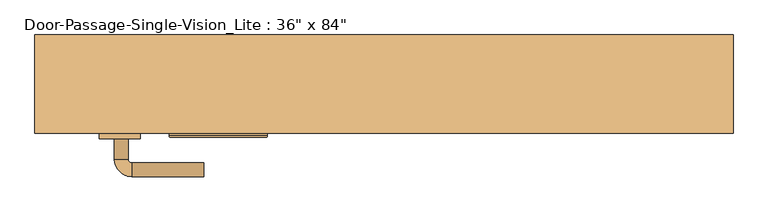
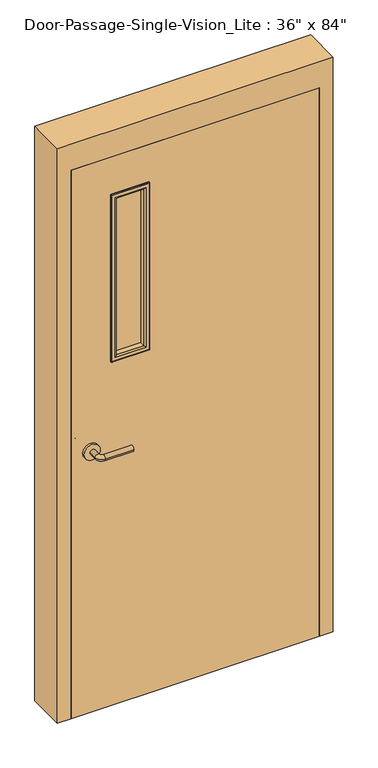
"""IFC4 building model written with IfcOpenShell, lengths in millimetres: door geometry."""

import ifcopenshell
import ifcopenshell.guid

model = None  # the IFC model being written
_history = None  # IfcOwnerHistory: only IFC2X3 demands one
_inside = {}  # id of a spatial element -> (the spatial element, [elements in it])
_under = {}  # id of a project, library or spatial element -> (it, [spatial elements below it])
_declared = {}  # id of a project -> (the project, [libraries it declares])
_typed = {}  # id of a type object -> (the type object, [elements of that type])
_made_of = {}  # id of a material, layer set ... -> (it, [elements and type objects made of it])


def new_model(schema):
    """Start an empty IFC model of exactly this schema.

    Asked for "IFC4X3", IfcOpenShell would pick the latest addendum, in which some entities
    have other attributes; the version numbers below select the first issue.
    IFC2X3 requires an IfcOwnerHistory on every rooted entity: one is made here for all.
    """
    global model, _history
    if schema == "IFC4X3":
        model = ifcopenshell.file(schema_version=(4, 3, 0, 0))
    else:
        model = ifcopenshell.file(schema=schema)
    _inside.clear()
    _under.clear()
    _declared.clear()
    _typed.clear()
    _made_of.clear()
    _history = None
    if model.schema == "IFC2X3":
        org = make("IfcOrganization", Name="unknown")
        user = make(
            "IfcPersonAndOrganization",
            ThePerson=make("IfcPerson", FamilyName="unknown"),
            TheOrganization=org,
        )
        app = make(
            "IfcApplication",
            ApplicationDeveloper=org,
            Version="unknown",
            ApplicationFullName="unknown",
            ApplicationIdentifier="unknown",
        )
        _history = make(
            "IfcOwnerHistory",
            OwningUser=user,
            OwningApplication=app,
            ChangeAction="ADDED",
            CreationDate=0,
        )
    return model


def make(cls, **values):
    """One entity of the class cls with the attributes given. An attribute that is None is left unset."""
    return model.create_entity(
        cls, **{name: value for name, value in values.items() if value is not None}
    )


def rooted(cls, **values):
    """An entity with a GlobalId (a new one), such as an element, a storey or a relation."""
    return make(cls, GlobalId=ifcopenshell.guid.new(), OwnerHistory=_history, **values)


def si_unit(unit_type, name, prefix=None):
    """IfcSIUnit, for example si_unit("LENGTHUNIT", "METRE", prefix="MILLI")."""
    return make("IfcSIUnit", UnitType=unit_type, Prefix=prefix, Name=name)


def assignment(units):
    """IfcUnitAssignment: the units of a project."""
    return None if units is None else make("IfcUnitAssignment", Units=units)


def point(xyz):
    """IfcCartesianPoint."""
    return None if xyz is None else make("IfcCartesianPoint", Coordinates=xyz)


def direction(xyz):
    """IfcDirection."""
    return None if xyz is None else make("IfcDirection", DirectionRatios=xyz)


def frame(location, z_axis=None, x_axis=None):
    """IfcAxis2Placement3D, a coordinate frame: its origin and axes. An axis left out is left unset."""
    return make(
        "IfcAxis2Placement3D",
        Location=point(location),
        Axis=direction(z_axis),
        RefDirection=direction(x_axis),
    )


def frame_2d(location, x_axis=None):
    """IfcAxis2Placement2D, a coordinate frame in the plane: its origin and x axis."""
    return make(
        "IfcAxis2Placement2D", Location=point(location), RefDirection=direction(x_axis)
    )


def origin():
    """The frame at (0, 0, 0) with its axes left unset."""
    return frame((0.0, 0.0, 0.0))


def place(relative_to, where):
    """IfcLocalPlacement: puts the frame where relative to a parent placement (None: the world)."""
    return make(
        "IfcLocalPlacement", PlacementRelTo=relative_to, RelativePlacement=where
    )


def context(
    kind, dimensions, precision=None, world=None, true_north=None, identifier=None
):
    """IfcGeometricRepresentationContext, for example the 3D "Model" context."""
    return make(
        "IfcGeometricRepresentationContext",
        ContextIdentifier=identifier,
        ContextType=kind,
        CoordinateSpaceDimension=dimensions,
        Precision=precision,
        WorldCoordinateSystem=world,
        TrueNorth=true_north,
    )


def project(units=None, contexts=None):
    """IfcProject with its units and contexts."""
    return rooted(
        "IfcProject",
        Name="project",
        RepresentationContexts=contexts,
        UnitsInContext=assignment(units),
    )


def spatial(cls, under=None, at=None, **own):
    """A site, building, storey or space (cls), placed at a placement, below another one or the project."""
    s = rooted(cls, ObjectPlacement=at, **own)
    if under is not None:
        _under.setdefault(under.id(), (under, []))[1].append(s)
    return s


def polyline(points):
    """IfcPolyline through the points."""
    return make("IfcPolyline", Points=[point(p) for p in points])


def circle_curve(where, radius):
    """IfcCircle in the frame where."""
    return make("IfcCircle", Position=where, Radius=radius)


def ellipse_curve(where, semi_axis1, semi_axis2):
    """IfcEllipse in the frame where."""
    return make(
        "IfcEllipse", Position=where, SemiAxis1=semi_axis1, SemiAxis2=semi_axis2
    )


def trimmed(basis, trim1, trim2, sense, master):
    """IfcTrimmedCurve: the piece of a basis curve between two trims."""
    return make(
        "IfcTrimmedCurve",
        BasisCurve=basis,
        Trim1=trim1,
        Trim2=trim2,
        SenseAgreement=sense,
        MasterRepresentation=master,
    )


def segment(curve, same_sense, transition):
    """IfcCompositeCurveSegment."""
    return make(
        "IfcCompositeCurveSegment",
        Transition=transition,
        SameSense=same_sense,
        ParentCurve=curve,
    )


def composite_curve(segments, self_intersect=None):
    """IfcCompositeCurve: segments joined end to end."""
    return make("IfcCompositeCurve", Segments=segments, SelfIntersect=self_intersect)


def outline(outer, holes=None, kind="AREA"):
    """IfcArbitraryClosedProfileDef: a profile drawn as a closed curve; with holes, ...WithVoids."""
    if holes is None:
        return make("IfcArbitraryClosedProfileDef", ProfileType=kind, OuterCurve=outer)
    return make(
        "IfcArbitraryProfileDefWithVoids",
        ProfileType=kind,
        OuterCurve=outer,
        InnerCurves=holes,
    )


def extrude(swept, where, along, depth):
    """IfcExtrudedAreaSolid: the profile swept, set in the frame where, extruded along a direction by depth."""
    return make(
        "IfcExtrudedAreaSolid",
        SweptArea=swept,
        Position=where,
        ExtrudedDirection=direction(along),
        Depth=depth,
    )


def faces_of(points, faces, orient=None, outer=None):
    """IfcFace entities. A face is a list of loops; a loop is a list of indices into points, from 0.

    orient and outer hold one flag for each loop. By default every Orientation is true, the
    first loop of a face is its IfcFaceOuterBound and the others are IfcFaceBound.
    """
    made = []
    for i, loops in enumerate(faces):
        bounds = []
        for j, loop in enumerate(loops):
            is_outer = j == 0 if outer is None else outer[i][j]
            bounds.append(
                make(
                    "IfcFaceOuterBound" if is_outer else "IfcFaceBound",
                    Bound=make("IfcPolyLoop", Polygon=[points[k] for k in loop]),
                    Orientation=True if orient is None else orient[i][j],
                )
            )
        made.append(make("IfcFace", Bounds=bounds))
    return made


def faceted_brep(points, faces, orient=None, outer=None, voids=None):
    """IfcFacetedBrep: a solid bounded by flat faces; with voids (closed shells), ...WithVoids."""
    shared = [point(p) for p in points]
    hull = make("IfcClosedShell", CfsFaces=faces_of(shared, faces, orient, outer))
    if voids is None:
        return make("IfcFacetedBrep", Outer=hull)
    return make(
        "IfcFacetedBrepWithVoids",
        Outer=hull,
        Voids=[
            make(cls, CfsFaces=faces_of(shared, fs, o, b)) for cls, fs, o, b in voids
        ],
    )


def shape(context_of_items, identifier, shape_type, items):
    """IfcShapeRepresentation: the items that make up one representation, for example the "Body"."""
    return make(
        "IfcShapeRepresentation",
        ContextOfItems=context_of_items,
        RepresentationIdentifier=identifier,
        RepresentationType=shape_type,
        Items=items,
    )


def source(mapping_origin, context_of_items, identifier, shape_type, items):
    """IfcRepresentationMap: a shape defined once, which mapped items show again and again."""
    return make(
        "IfcRepresentationMap",
        MappingOrigin=mapping_origin,
        MappedRepresentation=shape(context_of_items, identifier, shape_type, items),
    )


def transform(
    local_origin,
    x_axis=None,
    y_axis=None,
    z_axis=None,
    scale=None,
    scale2=None,
    scale3=None,
    uniform=True,
):
    """IfcCartesianTransformationOperator3D, or its non-uniform kind. x_axis, y_axis, z_axis: its Axis1, 2, 3."""
    if uniform:
        return make(
            "IfcCartesianTransformationOperator3D",
            Axis1=direction(x_axis),
            Axis2=direction(y_axis),
            LocalOrigin=point(local_origin),
            Scale=scale,
            Axis3=direction(z_axis),
        )
    return make(
        "IfcCartesianTransformationOperator3DnonUniform",
        Axis1=direction(x_axis),
        Axis2=direction(y_axis),
        LocalOrigin=point(local_origin),
        Scale=scale,
        Axis3=direction(z_axis),
        Scale2=scale2,
        Scale3=scale3,
    )


def mapped(mapping_source, mapping_target):
    """IfcMappedItem: shows the shape of a source again, moved by a transform."""
    return make(
        "IfcMappedItem", MappingSource=mapping_source, MappingTarget=mapping_target
    )


def made_of(thing, what):
    """Note that an element or type object is made of a material, layer set ...; save() writes the relation."""
    if what is not None:
        _made_of.setdefault(what.id(), (what, []))[1].append(thing)
    return thing


def element(
    cls,
    number,
    at=None,
    inside=None,
    cuts=None,
    type_object=None,
    material=None,
    context=None,
    identifier="Body",
    shape_type=None,
    held_by="IfcProductDefinitionShape",
    body=None,
    shapes=None,
    **own,
):
    """One element of the class cls, such as IfcWall. Its Tag is "e" and its number.

    at: its placement. inside: the storey or other place that contains it. cuts: it is an
    opening in that element (IfcRelVoidsElement). A single representation is given by context,
    identifier, shape_type and body (its items); several are given by shapes. held_by: the class
    of the entity that holds the representations. save() writes the other relations.
    """
    e = rooted(cls, Tag="e%d" % number, ObjectPlacement=at, **own)
    if body is not None:
        shapes = [shape(context, identifier, shape_type, body)]
    if shapes is not None:
        e.Representation = make(held_by, Representations=shapes)
    if inside is not None:
        _inside.setdefault(inside.id(), (inside, []))[1].append(e)
    if cuts is not None:
        rooted(
            "IfcRelVoidsElement", RelatingBuildingElement=cuts, RelatedOpeningElement=e
        )
    if type_object is not None:
        _typed.setdefault(type_object.id(), (type_object, []))[1].append(e)
    return made_of(e, material)


def aggregate(whole, parts):
    """IfcRelAggregates: a whole, such as a stair, and the parts it consists of."""
    return rooted("IfcRelAggregates", RelatingObject=whole, RelatedObjects=parts)


def save(model, path):
    """Write the relations noted so far, then the file.

    IfcRelAggregates (storeys below a building ...), IfcRelContainedInSpatialStructure (elements
    in a storey), IfcRelDefinesByType, IfcRelAssociatesMaterial and IfcRelDeclares: one each for
    every whole, place, type object, material and project.
    """
    for whole, parts in _under.values():
        aggregate(whole, parts)
    for where, things in _inside.values():
        rooted(
            "IfcRelContainedInSpatialStructure",
            RelatedElements=things,
            RelatingStructure=where,
        )
    for kind, things in _typed.values():
        rooted("IfcRelDefinesByType", RelatedObjects=things, RelatingType=kind)
    for what, things in _made_of.values():
        rooted("IfcRelAssociatesMaterial", RelatedObjects=things, RelatingMaterial=what)
    for by, libraries in _declared.values():
        rooted("IfcRelDeclares", RelatingContext=by, RelatedDefinitions=libraries)
    model.write(path)


def plane_surface(at):
    """IfcPlane: the flat surface through the origin of the frame at, square to its z axis."""
    return make("IfcPlane", Position=at)


def cylinder_surface(at, radius):
    """IfcCylindricalSurface: all points at the distance radius from the z axis of the frame at."""
    return make("IfcCylindricalSurface", Position=at, Radius=radius)


def revolved_surface(curve, axis_point, axis_direction):
    """IfcSurfaceOfRevolution: the curve turned about the line through axis_point along axis_direction."""
    return make(
        "IfcSurfaceOfRevolution",
        SweptCurve=make("IfcArbitraryOpenProfileDef", ProfileType="CURVE", Curve=curve),
        AxisPosition=make("IfcAxis1Placement", Location=point(axis_point), Axis=direction(axis_direction)),
    )


def advanced_brep(points, edges, surfaces, faces):
    """IfcAdvancedBrep: a solid bounded by faces that lie on surfaces and meet in shared edges.

    An edge is (start, end): straight between two places in points (the first is 0);
    or (start, end, curve); or (start, end, curve, False) where it runs against its curve.
    A face is (place in surfaces, loops), or (place, loops, False) where it looks against
    its surface's normal. A loop lists edges by number (the first is 1), with a minus sign
    where the edge is run from its end to its start. The first loop is the outer one.
    """
    corners = [point(p) for p in points]
    vertices = [make("IfcVertexPoint", VertexGeometry=c) for c in corners]
    made = []
    for start, end, *more in edges:
        made.append(
            make(
                "IfcEdgeCurve",
                EdgeStart=vertices[start],
                EdgeEnd=vertices[end],
                EdgeGeometry=more[0] if more else make("IfcPolyline", Points=[corners[start], corners[end]]),
                SameSense=more[1] if len(more) > 1 else True,
            )
        )
    hull = []
    for where, loops, *sense in faces:
        bounds = []
        for j, loop in enumerate(loops):
            ring = [make("IfcOrientedEdge", EdgeElement=made[abs(k) - 1], Orientation=k > 0) for k in loop]
            bounds.append(
                make(
                    "IfcFaceOuterBound" if j == 0 else "IfcFaceBound",
                    Bound=make("IfcEdgeLoop", EdgeList=ring),
                    Orientation=True,
                )
            )
        hull.append(make("IfcAdvancedFace", Bounds=bounds, FaceSurface=surfaces[where], SameSense=sense[0] if sense else True))
    return make("IfcAdvancedBrep", Outer=make("IfcClosedShell", CfsFaces=hull))


def door_2f86c9cb(model_context):
    return source(origin(), model_context, "Body", "SolidModel", [
        advanced_brep(
        [(-392.190625, -25.3375, 1016.0), (-372.190625, -25.3375, 1016.0), (-392.190625, 4.6625, 1016.0), (-372.190625, 4.6625, 1016.0), (-367.190625, 9.6625, 1016.0), (-367.190625, 29.6625, 1016.0), (-262.190625, 29.6625, 1016.0), (-262.190625, 9.6625, 1016.0)],
        [
            (0, 1, circle_curve(frame((-382.190625, -25.3375, 1016.0), z_axis=(0.0, -1.0, 0.0), x_axis=(1.0, 0.0, 0.0)), 10.0)),
            (1, 0, circle_curve(frame((-382.190625, -25.3375, 1016.0), z_axis=(0.0, -1.0, 0.0), x_axis=(1.0, 0.0, 0.0)), 10.0)),
            (0, 2),
            (2, 3, circle_curve(frame((-382.190625, 4.6625, 1016.0), z_axis=(0.0, -1.0, 0.0), x_axis=(1.0, 0.0, 0.0)), 10.0)),
            (3, 1),
            (3, 2, circle_curve(frame((-382.190625, 4.6625, 1016.0), z_axis=(0.0, -1.0, 0.0), x_axis=(1.0, 0.0, 0.0)), 10.0)),
            (4, 3, circle_curve(frame((-367.190625, 4.6625, 1016.0), z_axis=(0.0, 0.0, 1.0), x_axis=(-1.0, 0.0, 0.0)), 5.0)),
            (2, 5, circle_curve(frame((-367.190625, 4.6625, 1016.0), z_axis=(0.0, 0.0, -1.0), x_axis=(-1.0, 0.0, 0.0)), 25.0)),
            (5, 4, circle_curve(frame((-367.190625, 19.6625, 1016.0), z_axis=(-1.0, 0.0, 0.0), x_axis=(0.0, -1.0, 0.0)), 10.0)),
            (4, 5, circle_curve(frame((-367.190625, 19.6625, 1016.0), z_axis=(-1.0, 0.0, 0.0), x_axis=(0.0, -1.0, 0.0)), 10.0)),
            (6, 7, circle_curve(frame((-262.190625, 19.6625, 1016.0), z_axis=(1.0, 0.0, 0.0), x_axis=(0.0, -1.0, 0.0)), 10.0)),
            (7, 6, circle_curve(frame((-262.190625, 19.6625, 1016.0), z_axis=(1.0, 0.0, 0.0), x_axis=(0.0, -1.0, 0.0)), 10.0)),
            (5, 6),
            (7, 4),
        ],
        [
            plane_surface(frame((-382.190625, -25.3375, 1016.0), z_axis=(0.0, -1.0, 0.0), x_axis=(0.0, 0.0, 1.0))),
            cylinder_surface(frame((-382.190625, -25.3375, 1016.0), z_axis=(0.0, -1.0, 0.0), x_axis=(1.0, 0.0, 0.0)), 10.0),
            revolved_surface(trimmed(ellipse_curve(frame((-382.190625, 4.6625, 1016.0), z_axis=(0.0, -1.0, 0.0), x_axis=(1.0, 0.0, 0.0)), 10.0, 10.0), [point((-392.190625, 4.6625, 1016.0))], [point((-372.190625, 4.6625, 1016.0))], True, "CARTESIAN"), (-367.190625, 4.6625, 1016.0), (0.0, 0.0, -1.0)),
            revolved_surface(trimmed(ellipse_curve(frame((-382.190625, 4.6625, 1016.0), z_axis=(0.0, -1.0, 0.0), x_axis=(1.0, 0.0, 0.0)), 10.0, 10.0), [point((-372.190625, 4.6625, 1016.0))], [point((-392.190625, 4.6625, 1016.0))], True, "CARTESIAN"), (-367.190625, 4.6625, 1016.0), (0.0, 0.0, -1.0)),
            plane_surface(frame((-262.190625, 19.6625, 1016.0), z_axis=(1.0, 0.0, 0.0), x_axis=(0.0, 0.0, 1.0))),
            cylinder_surface(frame((-367.190625, 19.6625, 1016.0), z_axis=(-1.0, 0.0, 0.0), x_axis=(0.0, -1.0, 0.0)), 10.0),
        ],
        [
            (0, [[1, 2]]),
            (1, [[-1, 3, 4, 5]]),
            (1, [[-2, -5, 6, -3]]),
            (2, [[7, -4, 8, 9]]),
            (3, [[-8, -6, -7, 10]]),
            (4, [[11, 12]]),
            (5, [[-9, 13, -12, 14]]),
            (5, [[-10, -14, -11, -13]]),
        ],
    ),
        extrude(outline(composite_curve([segment(trimmed(circle_curve(frame_2d((1016.0, -384.690625)), 30.0), [point((1016.0, -414.690625))], [point((1016.0, -354.690625))], False, "CARTESIAN"), True, "CONTINUOUS"), segment(trimmed(circle_curve(frame_2d((1016.0, -384.690625)), 30.0), [point((1016.0, -354.690625))], [point((1016.0, -414.690625))], False, "CARTESIAN"), True, "CONTINUOUS")], self_intersect=False)), frame((0.0, -33.3375, 0.0), z_axis=(0.0, 1.0, 0.0), x_axis=(0.0, 0.0, 1.0)), (0.0, 0.0, 1.0), 8.0),
        advanced_brep(
        [(-392.190625, -85.7875, 1016.0), (-372.190625, -85.7875, 1016.0), (-372.190625, -115.7875, 1016.0), (-392.190625, -115.7875, 1016.0), (-367.190625, -120.7875, 1016.0), (-367.190625, -140.7875, 1016.0), (-262.190625, -140.7875, 1016.0), (-262.190625, -120.7875, 1016.0)],
        [
            (0, 1, circle_curve(frame((-382.190625, -85.7875, 1016.0), z_axis=(0.0, 1.0, 0.0), x_axis=(1.0, 0.0, 0.0)), 10.0)),
            (1, 0, circle_curve(frame((-382.190625, -85.7875, 1016.0), z_axis=(0.0, 1.0, 0.0), x_axis=(1.0, 0.0, 0.0)), 10.0)),
            (1, 2),
            (2, 3, circle_curve(frame((-382.190625, -115.7875, 1016.0), z_axis=(0.0, 1.0, 0.0), x_axis=(1.0, 0.0, 0.0)), 10.0)),
            (3, 0),
            (3, 2, circle_curve(frame((-382.190625, -115.7875, 1016.0), z_axis=(0.0, 1.0, 0.0), x_axis=(1.0, 0.0, 0.0)), 10.0)),
            (4, 5, circle_curve(frame((-367.190625, -130.7875, 1016.0), z_axis=(-1.0, 0.0, 0.0), x_axis=(0.0, 1.0, 0.0)), 10.0)),
            (5, 3, circle_curve(frame((-367.190625, -115.7875, 1016.0), z_axis=(0.0, 0.0, -1.0), x_axis=(-1.0, 0.0, 0.0)), 25.0)),
            (2, 4, circle_curve(frame((-367.190625, -115.7875, 1016.0), z_axis=(0.0, 0.0, 1.0), x_axis=(-1.0, 0.0, 0.0)), 5.0)),
            (5, 4, circle_curve(frame((-367.190625, -130.7875, 1016.0), z_axis=(-1.0, 0.0, 0.0), x_axis=(0.0, 1.0, 0.0)), 10.0)),
            (6, 7, circle_curve(frame((-262.190625, -130.7875, 1016.0), z_axis=(1.0, 0.0, 0.0), x_axis=(0.0, 1.0, 0.0)), 10.0)),
            (7, 6, circle_curve(frame((-262.190625, -130.7875, 1016.0), z_axis=(1.0, 0.0, 0.0), x_axis=(0.0, 1.0, 0.0)), 10.0)),
            (4, 7),
            (6, 5),
        ],
        [
            plane_surface(frame((-382.190625, -85.7875, 1016.0), z_axis=(0.0, 1.0, 0.0), x_axis=(0.0, 0.0, 1.0))),
            cylinder_surface(frame((-382.190625, -85.7875, 1016.0), z_axis=(0.0, 1.0, 0.0), x_axis=(1.0, 0.0, 0.0)), 10.0),
            revolved_surface(trimmed(ellipse_curve(frame((-382.190625, -115.7875, 1016.0), z_axis=(0.0, -1.0, 0.0), x_axis=(1.0, 0.0, 0.0)), 10.0, 10.0), [point((-392.190625, -115.7875, 1016.0))], [point((-372.190625, -115.7875, 1016.0))], True, "CARTESIAN"), (-367.190625, -115.7875, 1016.0), (0.0, 0.0, -1.0)),
            revolved_surface(trimmed(ellipse_curve(frame((-382.190625, -115.7875, 1016.0), z_axis=(0.0, -1.0, 0.0), x_axis=(1.0, 0.0, 0.0)), 10.0, 10.0), [point((-372.190625, -115.7875, 1016.0))], [point((-392.190625, -115.7875, 1016.0))], True, "CARTESIAN"), (-367.190625, -115.7875, 1016.0), (0.0, 0.0, -1.0)),
            plane_surface(frame((-262.190625, -130.7875, 1016.0), z_axis=(1.0, 0.0, 0.0), x_axis=(0.0, 0.0, 1.0))),
            cylinder_surface(frame((-367.190625, -130.7875, 1016.0), z_axis=(-1.0, 0.0, 0.0), x_axis=(0.0, 1.0, 0.0)), 10.0),
        ],
        [
            (0, [[1, 2]]),
            (1, [[3, 4, 5, -2]]),
            (1, [[-5, 6, -3, -1]]),
            (2, [[7, 8, -4, 9]]),
            (3, [[10, -9, -6, -8]]),
            (4, [[11, 12]]),
            (5, [[13, -11, 14, -7]]),
            (5, [[-14, -12, -13, -10]]),
        ],
    ),
        extrude(outline(composite_curve([segment(trimmed(circle_curve(frame_2d((1016.0, -384.690625)), 30.0), [point((1016.0, -414.690625))], [point((1016.0, -354.690625))], False, "CARTESIAN"), True, "CONTINUOUS"), segment(trimmed(circle_curve(frame_2d((1016.0, -384.690625)), 30.0), [point((1016.0, -354.690625))], [point((1016.0, -414.690625))], False, "CARTESIAN"), True, "CONTINUOUS")], self_intersect=False)), frame((0.0, -85.7875, 0.0), z_axis=(0.0, 1.0, 0.0), x_axis=(0.0, 0.0, 1.0)), (0.0, 0.0, 1.0), 8.0),
        faceted_brep([(457.2, -28.575, 0.0), (441.325, -28.575, 0.0), (441.325, 15.875, 0.0), (457.2, 15.875, 0.0), (457.2, 65.0875, 0.0), (508.0, 65.0875, 0.0), (508.0, -77.7875, 0.0), (457.2, -77.7875, 0.0), (457.2, -77.7875, 2133.6), (457.2, -28.575, 2133.6), (508.0, -77.7875, 2235.2), (-508.0, -77.7875, 2235.2), (-508.0, -77.7875, 0.0), (-457.2, -77.7875, 0.0), (-457.2, -77.7875, 2133.6), (508.0, 65.0875, 2235.2), (457.2, 65.0875, 2133.6), (-457.2, 65.0875, 2133.6), (-457.2, 65.0875, 0.0), (-508.0, 65.0875, 0.0), (-508.0, 65.0875, 2235.2), (457.2, 15.875, 2133.6), (441.325, 15.875, 2117.725), (-441.325, 15.875, 2117.725), (-441.325, 15.875, 0.0), (-457.2, 15.875, 0.0), (-457.2, 15.875, 2133.6), (441.325, -28.575, 2117.725), (-457.2, -28.575, 2133.6), (-457.2, -28.575, 0.0), (-441.325, -28.575, 0.0), (-441.325, -28.575, 2117.725)], [[[0, 1, 2, 3, 4, 5, 6, 7]], [[7, 8, 9, 0]], [[6, 10, 11, 12, 13, 14, 8, 7]], [[5, 15, 10, 6]], [[4, 16, 17, 18, 19, 20, 15, 5]], [[3, 21, 16, 4]], [[2, 22, 23, 24, 25, 26, 21, 3]], [[1, 27, 22, 2]], [[0, 9, 28, 29, 30, 31, 27, 1]], [[8, 14, 28, 9]], [[16, 21, 26, 17]], [[22, 27, 31, 23]], [[12, 19, 18, 25, 24, 30, 29, 13]], [[13, 29, 28, 14]], [[11, 20, 19, 12]], [[17, 26, 25, 18]], [[23, 31, 30, 24]], [[15, 20, 11, 10]]]),
        extrude(outline(polyline([(2133.6, -457.2), (0.0, -457.2), (0.0, 457.2), (2133.6, 457.2), (2133.6, -457.2)]), holes=[polyline([(1981.2, -304.8), (1981.2, -177.8), (1346.2, -177.8), (1346.2, -304.8), (1981.2, -304.8)])]), frame((0.0, -77.7875, 0.0), z_axis=(0.0, 1.0, 0.0), x_axis=(0.0, 0.0, 1.0)), (0.0, 0.0, 1.0), 44.45),
        extrude(outline(polyline([(-177.8, -52.3875), (-177.8, -58.7375), (-304.8, -58.7375), (-304.8, -52.3875), (-177.8, -52.3875)])), frame((0.0, 0.0, 1346.2), z_axis=(0.0, 0.0, 1.0), x_axis=(1.0, 0.0, 0.0)), (0.0, 0.0, 1.0), 635.0),
        advanced_brep(
        [(-304.8, -52.3875, 1346.2), (-304.8, -52.3875, 1981.2), (-304.8, -33.3375, 1981.2), (-304.8, -33.3375, 1346.2), (-292.8, -32.3375, 1358.2), (-292.8, -32.3375, 1969.2), (-292.8, -52.3875, 1969.2), (-292.8, -52.3875, 1358.2), (-297.8, -27.3375, 1353.2), (-297.8, -27.3375, 1974.2), (-312.8, -29.3375, 1338.2), (-312.8, -29.3375, 1989.2), (-310.8, -27.3375, 1987.2), (-310.8, -27.3375, 1340.2), (-312.8, -33.3375, 1338.2), (-312.8, -33.3375, 1989.2), (-177.8, -52.3875, 1981.2), (-177.8, -33.3375, 1981.2), (-189.8, -32.3375, 1969.2), (-189.8, -52.3875, 1969.2), (-184.8, -27.3375, 1974.2), (-169.8, -29.3375, 1989.2), (-171.8, -27.3375, 1987.2), (-169.8, -33.3375, 1989.2), (-177.8, -52.3875, 1346.2), (-177.8, -33.3375, 1346.2), (-189.8, -32.3375, 1358.2), (-189.8, -52.3875, 1358.2), (-184.8, -27.3375, 1353.2), (-169.8, -29.3375, 1338.2), (-171.8, -27.3375, 1340.2), (-169.8, -33.3375, 1338.2)],
        [
            (0, 1),
            (1, 2),
            (2, 3),
            (3, 0),
            (4, 5),
            (5, 6),
            (6, 7),
            (7, 4),
            (8, 9),
            (9, 5, ellipse_curve(frame((-297.8, -32.3375, 1974.2), z_axis=(-0.7071067811865475, 0.0, -0.7071067811865475), x_axis=(0.7071067811865474, 0.0, -0.7071067811865476)), 7.0710678, 5.0)),
            (4, 8, ellipse_curve(frame((-297.8, -32.3375, 1353.2), z_axis=(-0.7071067811865475, 0.0, 0.7071067811865475), x_axis=(-0.7071067811865474, 0.0, -0.7071067811865476)), 7.0710678, 5.0)),
            (10, 11),
            (11, 12, ellipse_curve(frame((-310.8, -29.3375, 1987.2), z_axis=(-0.7071067811865475, 0.0, -0.7071067811865475), x_axis=(0.7071067811865474, 0.0, -0.7071067811865476)), 2.8284271, 2.0)),
            (12, 13),
            (13, 10, ellipse_curve(frame((-310.8, -29.3375, 1340.2), z_axis=(-0.7071067811865475, 0.0, 0.7071067811865475), x_axis=(-0.7071067811865474, 0.0, -0.7071067811865476)), 2.8284271, 2.0)),
            (14, 15),
            (15, 11),
            (10, 14),
            (1, 16),
            (16, 17),
            (17, 2),
            (5, 18),
            (18, 19),
            (19, 6),
            (9, 20),
            (20, 18, ellipse_curve(frame((-184.8, -32.3375, 1974.2), z_axis=(-0.7071067811865475, 0.0, 0.7071067811865475), x_axis=(-0.7071067811865476, 0.0, -0.7071067811865474)), 7.0710678, 5.0)),
            (11, 21),
            (21, 22, ellipse_curve(frame((-171.8, -29.3375, 1987.2), z_axis=(-0.7071067811865475, 0.0, 0.7071067811865475), x_axis=(-0.7071067811865476, 0.0, -0.7071067811865474)), 2.8284271, 2.0)),
            (22, 12),
            (15, 23),
            (23, 21),
            (16, 24),
            (24, 25),
            (25, 17),
            (18, 26),
            (26, 27),
            (27, 19),
            (20, 28),
            (28, 26, ellipse_curve(frame((-184.8, -32.3375, 1353.2), z_axis=(0.7071067811865475, 0.0, 0.7071067811865475), x_axis=(-0.7071067811865474, 0.0, 0.7071067811865476)), 7.0710678, 5.0)),
            (21, 29),
            (29, 30, ellipse_curve(frame((-171.8, -29.3375, 1340.2), z_axis=(0.7071067811865475, 0.0, 0.7071067811865475), x_axis=(-0.7071067811865474, 0.0, 0.7071067811865476)), 2.8284271, 2.0)),
            (30, 22),
            (23, 31),
            (31, 29),
            (14, 31),
            (25, 3),
            (24, 0),
            (27, 7),
            (26, 4),
            (28, 8),
            (30, 13),
            (29, 10),
        ],
        [
            plane_surface(frame((-304.8, -33.3375, 1346.2), z_axis=(-1.0, 0.0, 0.0), x_axis=(0.0, 0.0, 1.0))),
            plane_surface(frame((-292.8, -52.3875, 1358.2), z_axis=(1.0, 0.0, 0.0), x_axis=(0.0, 0.0, 1.0))),
            cylinder_surface(frame((-297.8, -32.3375, 1346.2), z_axis=(0.0, 0.0, -1.0), x_axis=(-1.0, 0.0, 0.0)), 5.0),
            cylinder_surface(frame((-310.8, -29.3375, 1346.2), z_axis=(0.0, 0.0, -1.0), x_axis=(-1.0, 0.0, 0.0)), 2.0),
            plane_surface(frame((-312.8, -29.3375, 1338.2), z_axis=(-1.0, 0.0, 0.0), x_axis=(0.0, 0.0, 1.0))),
            plane_surface(frame((-304.8, -33.3375, 1981.2), z_axis=(0.0, 0.0, 1.0), x_axis=(1.0, 0.0, 0.0))),
            plane_surface(frame((-292.8, -52.3875, 1969.2), z_axis=(0.0, 0.0, -1.0), x_axis=(1.0, 0.0, 0.0))),
            cylinder_surface(frame((-304.8, -32.3375, 1974.2), z_axis=(-1.0, 0.0, 0.0), x_axis=(0.0, 0.0, 1.0)), 5.0),
            cylinder_surface(frame((-304.8, -29.3375, 1987.2), z_axis=(-1.0, 0.0, 0.0), x_axis=(0.0, 0.0, 1.0)), 2.0),
            plane_surface(frame((-312.8, -29.3375, 1989.2), z_axis=(0.0, 0.0, 1.0), x_axis=(1.0, 0.0, 0.0))),
            plane_surface(frame((-177.8, -33.3375, 1981.2), z_axis=(1.0, 0.0, 0.0), x_axis=(0.0, 0.0, -1.0))),
            plane_surface(frame((-189.8, -52.3875, 1969.2), z_axis=(-1.0, 0.0, 0.0), x_axis=(0.0, 0.0, -1.0))),
            cylinder_surface(frame((-184.8, -32.3375, 1981.2), z_axis=(0.0, 0.0, 1.0), x_axis=(1.0, 0.0, 0.0)), 5.0),
            cylinder_surface(frame((-171.8, -29.3375, 1981.2), z_axis=(0.0, 0.0, 1.0), x_axis=(1.0, 0.0, 0.0)), 2.0),
            plane_surface(frame((-169.8, -29.3375, 1989.2), z_axis=(1.0, 0.0, 0.0), x_axis=(0.0, 0.0, -1.0))),
            plane_surface(frame((-169.8, -33.3375, 1338.2), z_axis=(0.0, -1.0, 0.0), x_axis=(-1.0, 0.0, 0.0))),
            plane_surface(frame((-177.8, -33.3375, 1346.2), z_axis=(0.0, 0.0, -1.0), x_axis=(-1.0, 0.0, 0.0))),
            plane_surface(frame((-177.8, -52.3875, 1346.2), z_axis=(0.0, -1.0, 0.0), x_axis=(-1.0, 0.0, 0.0))),
            plane_surface(frame((-189.8, -52.3875, 1358.2), z_axis=(0.0, 0.0, 1.0), x_axis=(-1.0, 0.0, 0.0))),
            cylinder_surface(frame((-177.8, -32.3375, 1353.2), z_axis=(1.0, 0.0, 0.0), x_axis=(0.0, 0.0, -1.0)), 5.0),
            plane_surface(frame((-184.8, -27.3375, 1353.2), z_axis=(0.0, 1.0, 0.0), x_axis=(-1.0, 0.0, 0.0))),
            cylinder_surface(frame((-177.8, -29.3375, 1340.2), z_axis=(1.0, 0.0, 0.0), x_axis=(0.0, 0.0, -1.0)), 2.0),
            plane_surface(frame((-169.8, -29.3375, 1338.2), z_axis=(0.0, 0.0, -1.0), x_axis=(-1.0, 0.0, 0.0))),
        ],
        [
            (0, [[1, 2, 3, 4]]),
            (1, [[5, 6, 7, 8]]),
            (2, [[9, 10, -5, 11]]),
            (3, [[12, 13, 14, 15]]),
            (4, [[16, 17, -12, 18]]),
            (5, [[19, 20, 21, -2]]),
            (6, [[22, 23, 24, -6]]),
            (7, [[25, 26, -22, -10]]),
            (8, [[27, 28, 29, -13]]),
            (9, [[30, 31, -27, -17]]),
            (10, [[32, 33, 34, -20]]),
            (11, [[35, 36, 37, -23]]),
            (12, [[38, 39, -35, -26]]),
            (13, [[40, 41, 42, -28]]),
            (14, [[43, 44, -40, -31]]),
            (15, [[-16, 45, -43, -30], [-3, -21, -34, 46]]),
            (16, [[47, -4, -46, -33]]),
            (17, [[-1, -47, -32, -19], [-7, -24, -37, 48]]),
            (18, [[49, -8, -48, -36]]),
            (19, [[50, -11, -49, -39]]),
            (20, [[-14, -29, -42, 51], [-9, -50, -38, -25]]),
            (21, [[52, -15, -51, -41]]),
            (22, [[-45, -18, -52, -44]]),
        ],
    ),
        advanced_brep(
        [(-304.8, -58.7375, 1981.2), (-304.8, -58.7375, 1346.2), (-304.8, -77.7875, 1346.2), (-304.8, -77.7875, 1981.2), (-292.8, -78.7875, 1969.2), (-292.8, -78.7875, 1358.2), (-292.8, -58.7375, 1358.2), (-292.8, -58.7375, 1969.2), (-297.8, -83.7875, 1974.2), (-297.8, -83.7875, 1353.2), (-312.8, -81.7875, 1989.2), (-312.8, -81.7875, 1338.2), (-310.8, -83.7875, 1340.2), (-310.8, -83.7875, 1987.2), (-312.8, -77.7875, 1989.2), (-312.8, -77.7875, 1338.2), (-177.8, -58.7375, 1346.2), (-177.8, -77.7875, 1346.2), (-189.8, -78.7875, 1358.2), (-189.8, -58.7375, 1358.2), (-184.8, -83.7875, 1353.2), (-169.8, -81.7875, 1338.2), (-171.8, -83.7875, 1340.2), (-169.8, -77.7875, 1338.2), (-177.8, -58.7375, 1981.2), (-177.8, -77.7875, 1981.2), (-189.8, -78.7875, 1969.2), (-189.8, -58.7375, 1969.2), (-184.8, -83.7875, 1974.2), (-169.8, -81.7875, 1989.2), (-171.8, -83.7875, 1987.2), (-169.8, -77.7875, 1989.2)],
        [
            (0, 1),
            (1, 2),
            (2, 3),
            (3, 0),
            (4, 5),
            (5, 6),
            (6, 7),
            (7, 4),
            (8, 9),
            (9, 5, ellipse_curve(frame((-297.8, -78.7875, 1353.2), z_axis=(-0.7071067811865475, 0.0, 0.7071067811865475), x_axis=(0.7071067811865474, 0.0, 0.7071067811865476)), 7.0710678, 5.0)),
            (4, 8, ellipse_curve(frame((-297.8, -78.7875, 1974.2), z_axis=(-0.7071067811865475, 0.0, -0.7071067811865475), x_axis=(-0.7071067811865474, 0.0, 0.7071067811865476)), 7.0710678, 5.0)),
            (10, 11),
            (11, 12, ellipse_curve(frame((-310.8, -81.7875, 1340.2), z_axis=(-0.7071067811865475, 0.0, 0.7071067811865475), x_axis=(0.7071067811865474, 0.0, 0.7071067811865476)), 2.8284271, 2.0)),
            (12, 13),
            (13, 10, ellipse_curve(frame((-310.8, -81.7875, 1987.2), z_axis=(-0.7071067811865475, 0.0, -0.7071067811865475), x_axis=(-0.7071067811865474, 0.0, 0.7071067811865476)), 2.8284271, 2.0)),
            (14, 15),
            (15, 11),
            (10, 14),
            (1, 16),
            (16, 17),
            (17, 2),
            (5, 18),
            (18, 19),
            (19, 6),
            (9, 20),
            (20, 18, ellipse_curve(frame((-184.8, -78.7875, 1353.2), z_axis=(-0.7071067811865475, 0.0, -0.7071067811865475), x_axis=(-0.7071067811865476, 0.0, 0.7071067811865474)), 7.0710678, 5.0)),
            (11, 21),
            (21, 22, ellipse_curve(frame((-171.8, -81.7875, 1340.2), z_axis=(-0.7071067811865475, 0.0, -0.7071067811865475), x_axis=(-0.7071067811865476, 0.0, 0.7071067811865474)), 2.8284271, 2.0)),
            (22, 12),
            (15, 23),
            (23, 21),
            (16, 24),
            (24, 25),
            (25, 17),
            (18, 26),
            (26, 27),
            (27, 19),
            (20, 28),
            (28, 26, ellipse_curve(frame((-184.8, -78.7875, 1974.2), z_axis=(0.7071067811865475, 0.0, -0.7071067811865475), x_axis=(-0.7071067811865474, 0.0, -0.7071067811865476)), 7.0710678, 5.0)),
            (21, 29),
            (29, 30, ellipse_curve(frame((-171.8, -81.7875, 1987.2), z_axis=(0.7071067811865475, 0.0, -0.7071067811865475), x_axis=(-0.7071067811865474, 0.0, -0.7071067811865476)), 2.8284271, 2.0)),
            (30, 22),
            (23, 31),
            (31, 29),
            (14, 31),
            (25, 3),
            (24, 0),
            (27, 7),
            (26, 4),
            (28, 8),
            (30, 13),
            (29, 10),
        ],
        [
            plane_surface(frame((-304.8, -77.7875, 1981.2), z_axis=(-1.0, 0.0, 0.0), x_axis=(0.0, 0.0, -1.0))),
            plane_surface(frame((-292.8, -58.7375, 1969.2), z_axis=(1.0, 0.0, 0.0), x_axis=(0.0, 0.0, -1.0))),
            cylinder_surface(frame((-297.8, -78.7875, 1981.2), z_axis=(0.0, 0.0, 1.0), x_axis=(-1.0, 0.0, 0.0)), 5.0),
            cylinder_surface(frame((-310.8, -81.7875, 1981.2), z_axis=(0.0, 0.0, 1.0), x_axis=(-1.0, 0.0, 0.0)), 2.0),
            plane_surface(frame((-312.8, -81.7875, 1989.2), z_axis=(-1.0, 0.0, 0.0), x_axis=(0.0, 0.0, -1.0))),
            plane_surface(frame((-304.8, -77.7875, 1346.2), z_axis=(0.0, 0.0, -1.0), x_axis=(1.0, 0.0, 0.0))),
            plane_surface(frame((-292.8, -58.7375, 1358.2), z_axis=(0.0, 0.0, 1.0), x_axis=(1.0, 0.0, 0.0))),
            cylinder_surface(frame((-304.8, -78.7875, 1353.2), z_axis=(-1.0, 0.0, 0.0), x_axis=(0.0, 0.0, -1.0)), 5.0),
            cylinder_surface(frame((-304.8, -81.7875, 1340.2), z_axis=(-1.0, 0.0, 0.0), x_axis=(0.0, 0.0, -1.0)), 2.0),
            plane_surface(frame((-312.8, -81.7875, 1338.2), z_axis=(0.0, 0.0, -1.0), x_axis=(1.0, 0.0, 0.0))),
            plane_surface(frame((-177.8, -77.7875, 1346.2), z_axis=(1.0, 0.0, 0.0), x_axis=(0.0, 0.0, 1.0))),
            plane_surface(frame((-189.8, -58.7375, 1358.2), z_axis=(-1.0, 0.0, 0.0), x_axis=(0.0, 0.0, 1.0))),
            cylinder_surface(frame((-184.8, -78.7875, 1346.2), z_axis=(0.0, 0.0, -1.0), x_axis=(1.0, 0.0, 0.0)), 5.0),
            cylinder_surface(frame((-171.8, -81.7875, 1346.2), z_axis=(0.0, 0.0, -1.0), x_axis=(1.0, 0.0, 0.0)), 2.0),
            plane_surface(frame((-169.8, -81.7875, 1338.2), z_axis=(1.0, 0.0, 0.0), x_axis=(0.0, 0.0, 1.0))),
            plane_surface(frame((-169.8, -77.7875, 1989.2), z_axis=(0.0, 1.0, 0.0), x_axis=(-1.0, 0.0, 0.0))),
            plane_surface(frame((-177.8, -77.7875, 1981.2), z_axis=(0.0, 0.0, 1.0), x_axis=(-1.0, 0.0, 0.0))),
            plane_surface(frame((-177.8, -58.7375, 1981.2), z_axis=(0.0, 1.0, 0.0), x_axis=(-1.0, 0.0, 0.0))),
            plane_surface(frame((-189.8, -58.7375, 1969.2), z_axis=(0.0, 0.0, -1.0), x_axis=(-1.0, 0.0, 0.0))),
            cylinder_surface(frame((-177.8, -78.7875, 1974.2), z_axis=(1.0, 0.0, 0.0), x_axis=(0.0, 0.0, 1.0)), 5.0),
            plane_surface(frame((-184.8, -83.7875, 1974.2), z_axis=(0.0, -1.0, 0.0), x_axis=(-1.0, 0.0, 0.0))),
            cylinder_surface(frame((-177.8, -81.7875, 1987.2), z_axis=(1.0, 0.0, 0.0), x_axis=(0.0, 0.0, 1.0)), 2.0),
            plane_surface(frame((-169.8, -81.7875, 1989.2), z_axis=(0.0, 0.0, 1.0), x_axis=(-1.0, 0.0, 0.0))),
        ],
        [
            (0, [[1, 2, 3, 4]]),
            (1, [[5, 6, 7, 8]]),
            (2, [[9, 10, -5, 11]]),
            (3, [[12, 13, 14, 15]]),
            (4, [[16, 17, -12, 18]]),
            (5, [[19, 20, 21, -2]]),
            (6, [[22, 23, 24, -6]]),
            (7, [[25, 26, -22, -10]]),
            (8, [[27, 28, 29, -13]]),
            (9, [[30, 31, -27, -17]]),
            (10, [[32, 33, 34, -20]]),
            (11, [[35, 36, 37, -23]]),
            (12, [[38, 39, -35, -26]]),
            (13, [[40, 41, 42, -28]]),
            (14, [[43, 44, -40, -31]]),
            (15, [[-16, 45, -43, -30], [-3, -21, -34, 46]]),
            (16, [[47, -4, -46, -33]]),
            (17, [[-1, -47, -32, -19], [-7, -24, -37, 48]]),
            (18, [[49, -8, -48, -36]]),
            (19, [[50, -11, -49, -39]]),
            (20, [[-14, -29, -42, 51], [-9, -50, -38, -25]]),
            (21, [[52, -15, -51, -41]]),
            (22, [[-45, -18, -52, -44]]),
        ],
    ),
    ])


if __name__ == "__main__":
    model = new_model("IFC4")
    model_context = context("Model", 3, world=origin())
    ifc_project = project(units=[si_unit("LENGTHUNIT", "METRE", prefix="MILLI")], contexts=[model_context])
    site = spatial("IfcSite", under=ifc_project)
    building = spatial("IfcBuilding", under=site)
    placement = place(None, origin())
    door_shape = door_2f86c9cb(model_context)
    element("IfcDoor", 1, ObjectType="Door-Passage-Single-Vision_Lite : 36\" x 84\"", at=placement, inside=building, context=model_context, shape_type="MappedRepresentation", body=[
        mapped(door_shape, transform((0.0, 0.0, 0.0), x_axis=(1.0, 0.0, 0.0), y_axis=(0.0, 1.0, 0.0), z_axis=(0.0, 0.0, 1.0))),
    ])
    save(model, "model.ifc")
